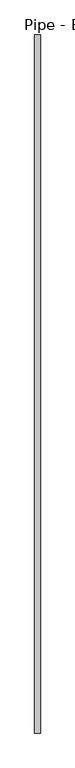
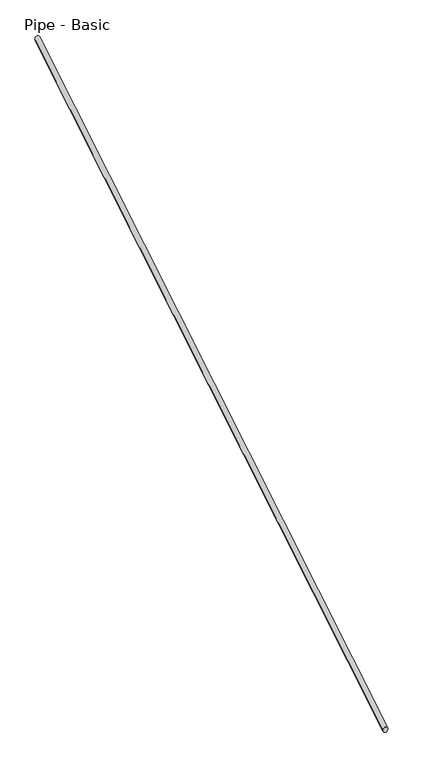
"""IFC4 building model written with IfcOpenShell, lengths in millimetres: railing geometry, Pipe - Basic."""

from ifc_helpers import new_model, si_unit, frame, origin, place, context, project, spatial, ellipse_curve, source, transform, mapped, element, save
from ifc_brep_helpers import plane_surface, cylinder_surface, advanced_brep


def pipe_basic_000fed8f(model_context):
    return source(origin(), model_context, "Body", "AdvancedBrep", [
        advanced_brep(
        [(-1265.6435211, -4316.2262737, 1061.4577857), (-1303.7435211, -4316.2262737, 1061.4577857), (-1265.6435211, 433.5737263, 3940.1244524), (-1303.7435211, 433.5737263, 3940.1244524)],
        [
            (0, 1, ellipse_curve(frame((-1284.6935211, -4316.2262737, 1061.4577857), z_axis=(0.0, -1.0, 0.0), x_axis=(0.0, 0.0, -1.0)), 22.2755476, 19.05)),
            (1, 0, ellipse_curve(frame((-1284.6935211, -4316.2262737, 1061.4577857), z_axis=(0.0, -1.0, 0.0), x_axis=(0.0, 0.0, -1.0)), 22.2755476, 19.05)),
            (2, 3, ellipse_curve(frame((-1284.6935211, 433.5737263, 3940.1244524), z_axis=(0.0, 1.0, 0.0), x_axis=(0.0, 0.0, -1.0)), 22.2755476, 19.05)),
            (3, 2, ellipse_curve(frame((-1284.6935211, 433.5737263, 3940.1244524), z_axis=(0.0, 1.0, 0.0), x_axis=(0.0, 0.0, -1.0)), 22.2755476, 19.05)),
            (0, 2),
            (3, 1),
        ],
        [
            plane_surface(frame((-1284.6935211, -4316.2262737, 1083.7333333), z_axis=(0.0, -1.0, 0.0), x_axis=(0.0, 0.0, 1.0))),
            plane_surface(frame((-1284.6935211, 433.5737263, 3962.4), z_axis=(0.0, 1.0, 0.0), x_axis=(0.0, 0.0, 1.0))),
            cylinder_surface(frame((-1284.6935211, -4306.352626, 1067.4418146), z_axis=(0.0, -0.8551978315540539, -0.5183017160932849), x_axis=(-1.0, 0.0, 0.0)), 19.05),
        ],
        [
            (0, [[1, 2]]),
            (1, [[3, 4]]),
            (2, [[-1, 5, -4, 6]]),
            (2, [[-2, -6, -3, -5]]),
        ],
    ),
    ])


if __name__ == "__main__":
    model = new_model("IFC4")
    model_context = context("Model", 3, world=origin())
    ifc_project = project(units=[si_unit("LENGTHUNIT", "METRE", prefix="MILLI")], contexts=[model_context])
    site = spatial("IfcSite", under=ifc_project)
    building = spatial("IfcBuilding", under=site)
    placement = place(None, origin())
    pipe_basic_shape = pipe_basic_000fed8f(model_context)
    element("IfcRailing", 1, ObjectType="Pipe - Basic", at=placement, inside=building, context=model_context, shape_type="MappedRepresentation", body=[
        mapped(pipe_basic_shape, transform((0.0, 0.0, 0.0), x_axis=(1.0, 0.0, 0.0), y_axis=(0.0, 1.0, 0.0), z_axis=(0.0, 0.0, 1.0))),
    ])
    save(model, "model.ifc")
